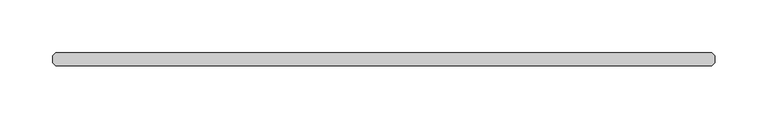
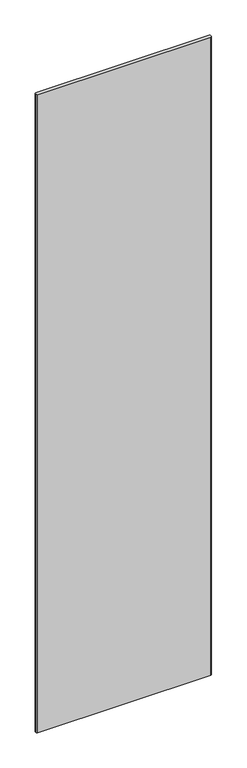
"""IFC4 building model written with IfcOpenShell, lengths in millimetres: plate geometry."""

import ifcopenshell
import ifcopenshell.guid

model = None  # the IFC model being written
_history = None  # IfcOwnerHistory: only IFC2X3 demands one
_inside = {}  # id of a spatial element -> (the spatial element, [elements in it])
_under = {}  # id of a project, library or spatial element -> (it, [spatial elements below it])
_declared = {}  # id of a project -> (the project, [libraries it declares])
_typed = {}  # id of a type object -> (the type object, [elements of that type])
_made_of = {}  # id of a material, layer set ... -> (it, [elements and type objects made of it])


def new_model(schema):
    """Start an empty IFC model of exactly this schema.

    Asked for "IFC4X3", IfcOpenShell would pick the latest addendum, in which some entities
    have other attributes; the version numbers below select the first issue.
    IFC2X3 requires an IfcOwnerHistory on every rooted entity: one is made here for all.
    """
    global model, _history
    if schema == "IFC4X3":
        model = ifcopenshell.file(schema_version=(4, 3, 0, 0))
    else:
        model = ifcopenshell.file(schema=schema)
    _inside.clear()
    _under.clear()
    _declared.clear()
    _typed.clear()
    _made_of.clear()
    _history = None
    if model.schema == "IFC2X3":
        org = make("IfcOrganization", Name="unknown")
        user = make(
            "IfcPersonAndOrganization",
            ThePerson=make("IfcPerson", FamilyName="unknown"),
            TheOrganization=org,
        )
        app = make(
            "IfcApplication",
            ApplicationDeveloper=org,
            Version="unknown",
            ApplicationFullName="unknown",
            ApplicationIdentifier="unknown",
        )
        _history = make(
            "IfcOwnerHistory",
            OwningUser=user,
            OwningApplication=app,
            ChangeAction="ADDED",
            CreationDate=0,
        )
    return model


def make(cls, **values):
    """One entity of the class cls with the attributes given. An attribute that is None is left unset."""
    return model.create_entity(
        cls, **{name: value for name, value in values.items() if value is not None}
    )


def rooted(cls, **values):
    """An entity with a GlobalId (a new one), such as an element, a storey or a relation."""
    return make(cls, GlobalId=ifcopenshell.guid.new(), OwnerHistory=_history, **values)


def si_unit(unit_type, name, prefix=None):
    """IfcSIUnit, for example si_unit("LENGTHUNIT", "METRE", prefix="MILLI")."""
    return make("IfcSIUnit", UnitType=unit_type, Prefix=prefix, Name=name)


def assignment(units):
    """IfcUnitAssignment: the units of a project."""
    return None if units is None else make("IfcUnitAssignment", Units=units)


def point(xyz):
    """IfcCartesianPoint."""
    return None if xyz is None else make("IfcCartesianPoint", Coordinates=xyz)


def direction(xyz):
    """IfcDirection."""
    return None if xyz is None else make("IfcDirection", DirectionRatios=xyz)


def frame(location, z_axis=None, x_axis=None):
    """IfcAxis2Placement3D, a coordinate frame: its origin and axes. An axis left out is left unset."""
    return make(
        "IfcAxis2Placement3D",
        Location=point(location),
        Axis=direction(z_axis),
        RefDirection=direction(x_axis),
    )


def origin():
    """The frame at (0, 0, 0) with its axes left unset."""
    return frame((0.0, 0.0, 0.0))


def origin_with_axes():
    """The frame at (0, 0, 0) with the z axis (0, 0, 1) and the x axis (1, 0, 0) written out."""
    return frame((0.0, 0.0, 0.0), z_axis=(0.0, 0.0, 1.0), x_axis=(1.0, 0.0, 0.0))


def place(relative_to, where):
    """IfcLocalPlacement: puts the frame where relative to a parent placement (None: the world)."""
    return make(
        "IfcLocalPlacement", PlacementRelTo=relative_to, RelativePlacement=where
    )


def context(
    kind, dimensions, precision=None, world=None, true_north=None, identifier=None
):
    """IfcGeometricRepresentationContext, for example the 3D "Model" context."""
    return make(
        "IfcGeometricRepresentationContext",
        ContextIdentifier=identifier,
        ContextType=kind,
        CoordinateSpaceDimension=dimensions,
        Precision=precision,
        WorldCoordinateSystem=world,
        TrueNorth=true_north,
    )


def project(units=None, contexts=None):
    """IfcProject with its units and contexts."""
    return rooted(
        "IfcProject",
        Name="project",
        RepresentationContexts=contexts,
        UnitsInContext=assignment(units),
    )


def spatial(cls, under=None, at=None, **own):
    """A site, building, storey or space (cls), placed at a placement, below another one or the project."""
    s = rooted(cls, ObjectPlacement=at, **own)
    if under is not None:
        _under.setdefault(under.id(), (under, []))[1].append(s)
    return s


def polyline(points):
    """IfcPolyline through the points."""
    return make("IfcPolyline", Points=[point(p) for p in points])


def outline(outer, holes=None, kind="AREA"):
    """IfcArbitraryClosedProfileDef: a profile drawn as a closed curve; with holes, ...WithVoids."""
    if holes is None:
        return make("IfcArbitraryClosedProfileDef", ProfileType=kind, OuterCurve=outer)
    return make(
        "IfcArbitraryProfileDefWithVoids",
        ProfileType=kind,
        OuterCurve=outer,
        InnerCurves=holes,
    )


def extrude(swept, where, along, depth):
    """IfcExtrudedAreaSolid: the profile swept, set in the frame where, extruded along a direction by depth."""
    return make(
        "IfcExtrudedAreaSolid",
        SweptArea=swept,
        Position=where,
        ExtrudedDirection=direction(along),
        Depth=depth,
    )


def shape(context_of_items, identifier, shape_type, items):
    """IfcShapeRepresentation: the items that make up one representation, for example the "Body"."""
    return make(
        "IfcShapeRepresentation",
        ContextOfItems=context_of_items,
        RepresentationIdentifier=identifier,
        RepresentationType=shape_type,
        Items=items,
    )


def source(mapping_origin, context_of_items, identifier, shape_type, items):
    """IfcRepresentationMap: a shape defined once, which mapped items show again and again."""
    return make(
        "IfcRepresentationMap",
        MappingOrigin=mapping_origin,
        MappedRepresentation=shape(context_of_items, identifier, shape_type, items),
    )


def transform(
    local_origin,
    x_axis=None,
    y_axis=None,
    z_axis=None,
    scale=None,
    scale2=None,
    scale3=None,
    uniform=True,
):
    """IfcCartesianTransformationOperator3D, or its non-uniform kind. x_axis, y_axis, z_axis: its Axis1, 2, 3."""
    if uniform:
        return make(
            "IfcCartesianTransformationOperator3D",
            Axis1=direction(x_axis),
            Axis2=direction(y_axis),
            LocalOrigin=point(local_origin),
            Scale=scale,
            Axis3=direction(z_axis),
        )
    return make(
        "IfcCartesianTransformationOperator3DnonUniform",
        Axis1=direction(x_axis),
        Axis2=direction(y_axis),
        LocalOrigin=point(local_origin),
        Scale=scale,
        Axis3=direction(z_axis),
        Scale2=scale2,
        Scale3=scale3,
    )


def mapped(mapping_source, mapping_target):
    """IfcMappedItem: shows the shape of a source again, moved by a transform."""
    return make(
        "IfcMappedItem", MappingSource=mapping_source, MappingTarget=mapping_target
    )


def made_of(thing, what):
    """Note that an element or type object is made of a material, layer set ...; save() writes the relation."""
    if what is not None:
        _made_of.setdefault(what.id(), (what, []))[1].append(thing)
    return thing


def element(
    cls,
    number,
    at=None,
    inside=None,
    cuts=None,
    type_object=None,
    material=None,
    context=None,
    identifier="Body",
    shape_type=None,
    held_by="IfcProductDefinitionShape",
    body=None,
    shapes=None,
    **own,
):
    """One element of the class cls, such as IfcWall. Its Tag is "e" and its number.

    at: its placement. inside: the storey or other place that contains it. cuts: it is an
    opening in that element (IfcRelVoidsElement). A single representation is given by context,
    identifier, shape_type and body (its items); several are given by shapes. held_by: the class
    of the entity that holds the representations. save() writes the other relations.
    """
    e = rooted(cls, Tag="e%d" % number, ObjectPlacement=at, **own)
    if body is not None:
        shapes = [shape(context, identifier, shape_type, body)]
    if shapes is not None:
        e.Representation = make(held_by, Representations=shapes)
    if inside is not None:
        _inside.setdefault(inside.id(), (inside, []))[1].append(e)
    if cuts is not None:
        rooted(
            "IfcRelVoidsElement", RelatingBuildingElement=cuts, RelatedOpeningElement=e
        )
    if type_object is not None:
        _typed.setdefault(type_object.id(), (type_object, []))[1].append(e)
    return made_of(e, material)


def aggregate(whole, parts):
    """IfcRelAggregates: a whole, such as a stair, and the parts it consists of."""
    return rooted("IfcRelAggregates", RelatingObject=whole, RelatedObjects=parts)


def save(model, path):
    """Write the relations noted so far, then the file.

    IfcRelAggregates (storeys below a building ...), IfcRelContainedInSpatialStructure (elements
    in a storey), IfcRelDefinesByType, IfcRelAssociatesMaterial and IfcRelDeclares: one each for
    every whole, place, type object, material and project.
    """
    for whole, parts in _under.values():
        aggregate(whole, parts)
    for where, things in _inside.values():
        rooted(
            "IfcRelContainedInSpatialStructure",
            RelatedElements=things,
            RelatingStructure=where,
        )
    for kind, things in _typed.values():
        rooted("IfcRelDefinesByType", RelatedObjects=things, RelatingType=kind)
    for what, things in _made_of.values():
        rooted("IfcRelAssociatesMaterial", RelatedObjects=things, RelatingMaterial=what)
    for by, libraries in _declared.values():
        rooted("IfcRelDeclares", RelatingContext=by, RelatedDefinitions=libraries)
    model.write(path)


def plate_b59ae8b6(model_context):
    return source(origin(), model_context, "Body", "SweptSolid", [
        extrude(outline(polyline([(312.059992, -6.35), (-312.059992, -6.35), (-315.234992, -3.175), (-315.234992, 3.175), (-312.059992, 6.35), (312.059992, 6.35), (315.234992, 3.175), (315.234992, -3.175), (312.059992, -6.35)])), origin_with_axes(), (0.0, 0.0, 1.0), 2427.1914267),
    ])


if __name__ == "__main__":
    model = new_model("IFC4")
    model_context = context("Model", 3, world=origin())
    ifc_project = project(units=[si_unit("LENGTHUNIT", "METRE", prefix="MILLI")], contexts=[model_context])
    site = spatial("IfcSite", under=ifc_project)
    building = spatial("IfcBuilding", under=site)
    placement = place(None, origin())
    plate_shape = plate_b59ae8b6(model_context)
    element("IfcPlate", 1, at=placement, inside=building, context=model_context, shape_type="MappedRepresentation", body=[
        mapped(plate_shape, transform((0.0, 0.0, 0.0), x_axis=(1.0, 0.0, 0.0), y_axis=(0.0, 1.0, 0.0), z_axis=(0.0, 0.0, 1.0))),
    ])
    save(model, "model.ifc")
